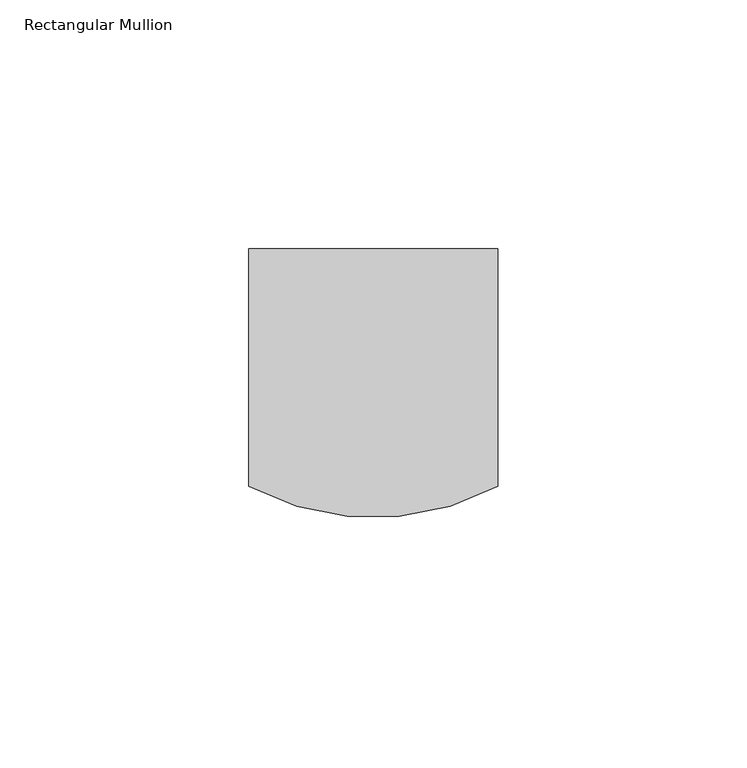
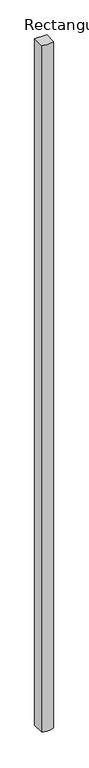
"""IFC4 building model written with IfcOpenShell, lengths in millimetres: member geometry, Rectangular Mullion."""

from ifc_helpers import new_model, si_unit, point, frame, frame_2d, origin, place, context, project, spatial, polyline, circle_curve, trimmed, segment, composite_curve, outline, extrude, source, transform, mapped, element, save


def rectangular_mullion_45fa3643(model_context):
    return source(origin(), model_context, "Body", "SweptSolid", [
        extrude(outline(composite_curve([segment(polyline([(25.0, 0.0), (25.0, -47.6956261)]), True, "CONTINUOUS"), segment(trimmed(circle_curve(frame_2d((0.0, -1.2790523)), 52.7209477), [point((25.0, -47.6956261))], [point((-25.0, -47.6956261))], False, "CARTESIAN"), True, "CONTINUOUS"), segment(polyline([(-25.0, -47.6956261), (-25.0, 0.0), (25.0, 0.0)]), True, "CONTINUOUS")], self_intersect=False)), frame((0.0, 0.0, -3000.0), z_axis=(0.0, 0.0, 1.0), x_axis=(1.0, 0.0, 0.0)), (0.0, 0.0, 1.0), 3000.0),
    ])


if __name__ == "__main__":
    model = new_model("IFC4")
    model_context = context("Model", 3, world=origin())
    ifc_project = project(units=[si_unit("LENGTHUNIT", "METRE", prefix="MILLI")], contexts=[model_context])
    site = spatial("IfcSite", under=ifc_project)
    building = spatial("IfcBuilding", under=site)
    placement = place(None, origin())
    rectangular_mullion_shape = rectangular_mullion_45fa3643(model_context)
    element("IfcMember", 1, ObjectType="Rectangular Mullion", at=placement, inside=building, context=model_context, shape_type="MappedRepresentation", body=[
        mapped(rectangular_mullion_shape, transform((0.0, 0.0, 0.0), x_axis=(1.0, 0.0, 0.0), y_axis=(0.0, 1.0, 0.0), z_axis=(0.0, 0.0, 1.0))),
    ])
    save(model, "model.ifc")
